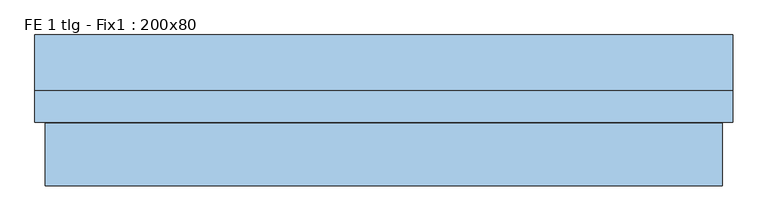
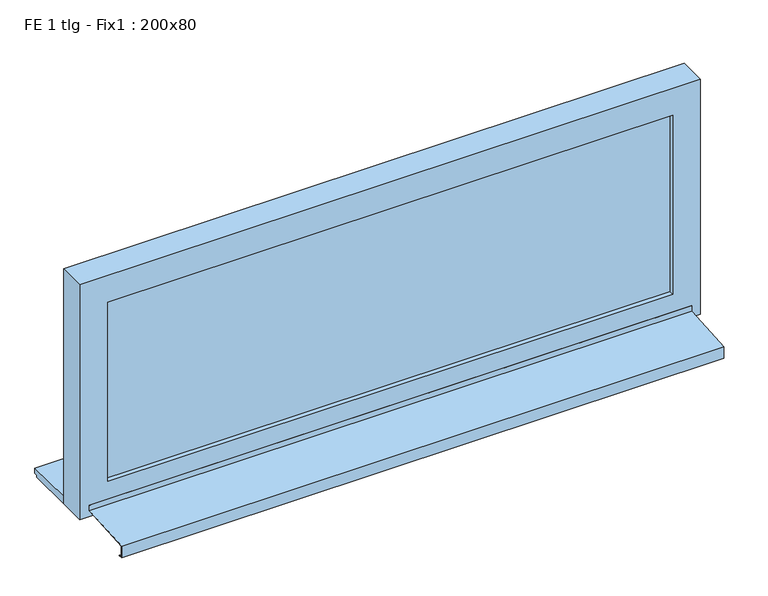
"""IFC4 building model written with IfcOpenShell, lengths in millimetres: window geometry, FE 1 tlg - Fix1 : 200x80."""

from ifc_helpers import new_model, si_unit, frame, origin, place, context, project, spatial, polyline, outline, extrude, faceted_brep, source, transform, mapped, element, save


def fe_1_tlg_fix1_200x80_fc2d5b76(model_context):
    return source(origin(), model_context, "Body", "SolidModel", [
        faceted_brep([(-970.0, -307.0, 860.6252434), (970.0, -307.0, 860.6252434), (970.0, -285.0, 862.0002434), (970.0, -127.0, 871.8752434), (-970.0, -127.0, 871.8752434), (-970.0, -285.0, 862.0002434), (-970.0, -307.0, 820.6252434), (970.0, -307.0, 820.6252434), (-970.0, -295.0, 820.6252434), (970.0, -295.0, 820.6252434), (-970.0, -295.0, 822.6252434), (970.0, -295.0, 822.6252434), (-970.0, -305.0, 822.6252434), (970.0, -305.0, 822.6252434), (-970.0, -305.0, 858.75), (970.0, -305.0, 858.75), (-970.0, -285.0, 860.0), (-970.0, -125.0, 870.0), (970.0, -125.0, 870.0), (970.0, -285.0, 860.0), (-970.0, -125.0, 890.0), (970.0, -125.0, 890.0), (-970.0, -127.0, 890.0), (970.0, -127.0, 890.0)], [[[0, 1, 2, 3, 4, 5]], [[6, 7, 1, 0]], [[8, 9, 7, 6]], [[10, 11, 9, 8]], [[12, 13, 11, 10]], [[14, 15, 13, 12]], [[16, 17, 18, 19, 15, 14]], [[20, 21, 18, 17]], [[22, 23, 21, 20]], [[4, 3, 23, 22]], [[16, 14, 12, 10, 8, 6, 0, 5]], [[19, 18, 21, 23, 3, 2]], [[5, 4, 22, 20, 17, 16]], [[2, 1, 7, 9, 11, 13, 15, 19]]]),
        extrude(outline(polyline([(910.0, -110.0), (-910.0, -110.0), (-910.0, -66.0), (910.0, -66.0), (910.0, -110.0)])), frame((0.0, 0.0, 950.0), z_axis=(0.0, 0.0, 1.0), x_axis=(1.0, 0.0, 0.0)), (0.0, 0.0, 1.0), 610.0),
        extrude(outline(polyline([(1650.0, -1000.0), (850.0, -1000.0), (850.0, 1000.0), (1650.0, 1000.0), (1650.0, -1000.0)]), holes=[polyline([(1560.0, 910.0), (950.0, 910.0), (950.0, -910.0), (1560.0, -910.0), (1560.0, 910.0)])]), frame((0.0, -125.0, 0.0), z_axis=(0.0, 1.0, 0.0), x_axis=(0.0, 0.0, 1.0)), (0.0, 0.0, 1.0), 90.0),
        extrude(outline(polyline([(125.0, 875.0), (125.0, 857.0), (115.0, 857.0), (115.0, 850.0), (-35.0, 850.0), (-35.0, 875.0), (125.0, 875.0)])), frame((-1000.0, 0.0, 0.0), z_axis=(1.0, 0.0, 0.0), x_axis=(0.0, 1.0, 0.0)), (0.0, 0.0, 1.0), 2000.0),
    ])


if __name__ == "__main__":
    model = new_model("IFC4")
    model_context = context("Model", 3, world=origin())
    ifc_project = project(units=[si_unit("LENGTHUNIT", "METRE", prefix="MILLI")], contexts=[model_context])
    site = spatial("IfcSite", under=ifc_project)
    building = spatial("IfcBuilding", under=site)
    placement = place(None, origin())
    fe_1_tlg_fix1_200x80_shape = fe_1_tlg_fix1_200x80_fc2d5b76(model_context)
    element("IfcWindow", 1, ObjectType="FE 1 tlg - Fix1 : 200x80", at=placement, inside=building, context=model_context, shape_type="MappedRepresentation", body=[
        mapped(fe_1_tlg_fix1_200x80_shape, transform((0.0, 0.0, 0.0), x_axis=(1.0, 0.0, 0.0), y_axis=(0.0, 1.0, 0.0), z_axis=(0.0, 0.0, 1.0))),
    ])
    save(model, "model.ifc")
